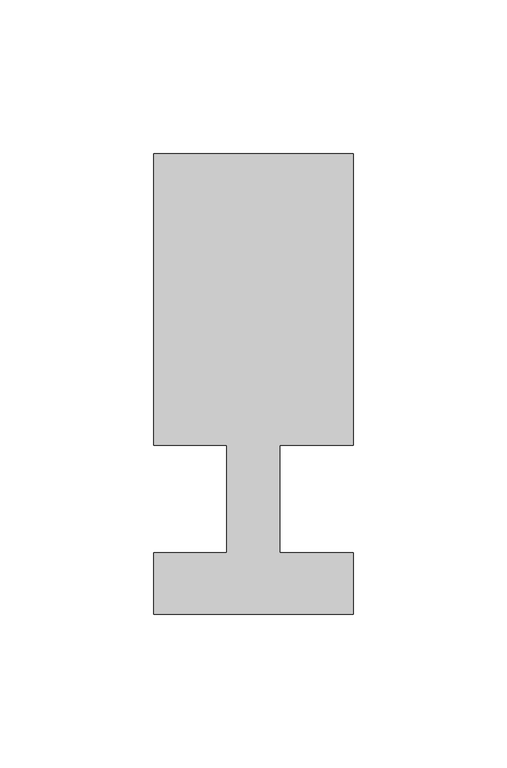
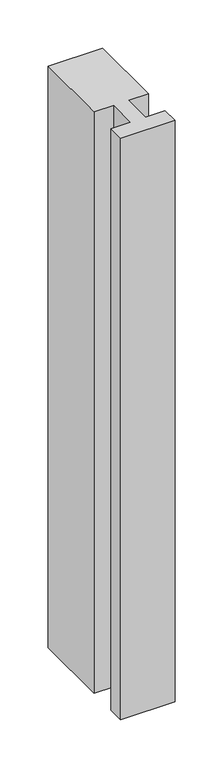
"""IFC4 building model written with IfcOpenShell, lengths in millimetres: member geometry."""

import ifcopenshell
import ifcopenshell.guid

model = None  # the IFC model being written
_history = None  # IfcOwnerHistory: only IFC2X3 demands one
_inside = {}  # id of a spatial element -> (the spatial element, [elements in it])
_under = {}  # id of a project, library or spatial element -> (it, [spatial elements below it])
_declared = {}  # id of a project -> (the project, [libraries it declares])
_typed = {}  # id of a type object -> (the type object, [elements of that type])
_made_of = {}  # id of a material, layer set ... -> (it, [elements and type objects made of it])


def new_model(schema):
    """Start an empty IFC model of exactly this schema.

    Asked for "IFC4X3", IfcOpenShell would pick the latest addendum, in which some entities
    have other attributes; the version numbers below select the first issue.
    IFC2X3 requires an IfcOwnerHistory on every rooted entity: one is made here for all.
    """
    global model, _history
    if schema == "IFC4X3":
        model = ifcopenshell.file(schema_version=(4, 3, 0, 0))
    else:
        model = ifcopenshell.file(schema=schema)
    _inside.clear()
    _under.clear()
    _declared.clear()
    _typed.clear()
    _made_of.clear()
    _history = None
    if model.schema == "IFC2X3":
        org = make("IfcOrganization", Name="unknown")
        user = make(
            "IfcPersonAndOrganization",
            ThePerson=make("IfcPerson", FamilyName="unknown"),
            TheOrganization=org,
        )
        app = make(
            "IfcApplication",
            ApplicationDeveloper=org,
            Version="unknown",
            ApplicationFullName="unknown",
            ApplicationIdentifier="unknown",
        )
        _history = make(
            "IfcOwnerHistory",
            OwningUser=user,
            OwningApplication=app,
            ChangeAction="ADDED",
            CreationDate=0,
        )
    return model


def make(cls, **values):
    """One entity of the class cls with the attributes given. An attribute that is None is left unset."""
    return model.create_entity(
        cls, **{name: value for name, value in values.items() if value is not None}
    )


def rooted(cls, **values):
    """An entity with a GlobalId (a new one), such as an element, a storey or a relation."""
    return make(cls, GlobalId=ifcopenshell.guid.new(), OwnerHistory=_history, **values)


def si_unit(unit_type, name, prefix=None):
    """IfcSIUnit, for example si_unit("LENGTHUNIT", "METRE", prefix="MILLI")."""
    return make("IfcSIUnit", UnitType=unit_type, Prefix=prefix, Name=name)


def assignment(units):
    """IfcUnitAssignment: the units of a project."""
    return None if units is None else make("IfcUnitAssignment", Units=units)


def point(xyz):
    """IfcCartesianPoint."""
    return None if xyz is None else make("IfcCartesianPoint", Coordinates=xyz)


def direction(xyz):
    """IfcDirection."""
    return None if xyz is None else make("IfcDirection", DirectionRatios=xyz)


def frame(location, z_axis=None, x_axis=None):
    """IfcAxis2Placement3D, a coordinate frame: its origin and axes. An axis left out is left unset."""
    return make(
        "IfcAxis2Placement3D",
        Location=point(location),
        Axis=direction(z_axis),
        RefDirection=direction(x_axis),
    )


def origin():
    """The frame at (0, 0, 0) with its axes left unset."""
    return frame((0.0, 0.0, 0.0))


def place(relative_to, where):
    """IfcLocalPlacement: puts the frame where relative to a parent placement (None: the world)."""
    return make(
        "IfcLocalPlacement", PlacementRelTo=relative_to, RelativePlacement=where
    )


def context(
    kind, dimensions, precision=None, world=None, true_north=None, identifier=None
):
    """IfcGeometricRepresentationContext, for example the 3D "Model" context."""
    return make(
        "IfcGeometricRepresentationContext",
        ContextIdentifier=identifier,
        ContextType=kind,
        CoordinateSpaceDimension=dimensions,
        Precision=precision,
        WorldCoordinateSystem=world,
        TrueNorth=true_north,
    )


def project(units=None, contexts=None):
    """IfcProject with its units and contexts."""
    return rooted(
        "IfcProject",
        Name="project",
        RepresentationContexts=contexts,
        UnitsInContext=assignment(units),
    )


def spatial(cls, under=None, at=None, **own):
    """A site, building, storey or space (cls), placed at a placement, below another one or the project."""
    s = rooted(cls, ObjectPlacement=at, **own)
    if under is not None:
        _under.setdefault(under.id(), (under, []))[1].append(s)
    return s


def polyline(points):
    """IfcPolyline through the points."""
    return make("IfcPolyline", Points=[point(p) for p in points])


def outline(outer, holes=None, kind="AREA"):
    """IfcArbitraryClosedProfileDef: a profile drawn as a closed curve; with holes, ...WithVoids."""
    if holes is None:
        return make("IfcArbitraryClosedProfileDef", ProfileType=kind, OuterCurve=outer)
    return make(
        "IfcArbitraryProfileDefWithVoids",
        ProfileType=kind,
        OuterCurve=outer,
        InnerCurves=holes,
    )


def extrude(swept, where, along, depth):
    """IfcExtrudedAreaSolid: the profile swept, set in the frame where, extruded along a direction by depth."""
    return make(
        "IfcExtrudedAreaSolid",
        SweptArea=swept,
        Position=where,
        ExtrudedDirection=direction(along),
        Depth=depth,
    )


def shape(context_of_items, identifier, shape_type, items):
    """IfcShapeRepresentation: the items that make up one representation, for example the "Body"."""
    return make(
        "IfcShapeRepresentation",
        ContextOfItems=context_of_items,
        RepresentationIdentifier=identifier,
        RepresentationType=shape_type,
        Items=items,
    )


def source(mapping_origin, context_of_items, identifier, shape_type, items):
    """IfcRepresentationMap: a shape defined once, which mapped items show again and again."""
    return make(
        "IfcRepresentationMap",
        MappingOrigin=mapping_origin,
        MappedRepresentation=shape(context_of_items, identifier, shape_type, items),
    )


def transform(
    local_origin,
    x_axis=None,
    y_axis=None,
    z_axis=None,
    scale=None,
    scale2=None,
    scale3=None,
    uniform=True,
):
    """IfcCartesianTransformationOperator3D, or its non-uniform kind. x_axis, y_axis, z_axis: its Axis1, 2, 3."""
    if uniform:
        return make(
            "IfcCartesianTransformationOperator3D",
            Axis1=direction(x_axis),
            Axis2=direction(y_axis),
            LocalOrigin=point(local_origin),
            Scale=scale,
            Axis3=direction(z_axis),
        )
    return make(
        "IfcCartesianTransformationOperator3DnonUniform",
        Axis1=direction(x_axis),
        Axis2=direction(y_axis),
        LocalOrigin=point(local_origin),
        Scale=scale,
        Axis3=direction(z_axis),
        Scale2=scale2,
        Scale3=scale3,
    )


def mapped(mapping_source, mapping_target):
    """IfcMappedItem: shows the shape of a source again, moved by a transform."""
    return make(
        "IfcMappedItem", MappingSource=mapping_source, MappingTarget=mapping_target
    )


def made_of(thing, what):
    """Note that an element or type object is made of a material, layer set ...; save() writes the relation."""
    if what is not None:
        _made_of.setdefault(what.id(), (what, []))[1].append(thing)
    return thing


def element(
    cls,
    number,
    at=None,
    inside=None,
    cuts=None,
    type_object=None,
    material=None,
    context=None,
    identifier="Body",
    shape_type=None,
    held_by="IfcProductDefinitionShape",
    body=None,
    shapes=None,
    **own,
):
    """One element of the class cls, such as IfcWall. Its Tag is "e" and its number.

    at: its placement. inside: the storey or other place that contains it. cuts: it is an
    opening in that element (IfcRelVoidsElement). A single representation is given by context,
    identifier, shape_type and body (its items); several are given by shapes. held_by: the class
    of the entity that holds the representations. save() writes the other relations.
    """
    e = rooted(cls, Tag="e%d" % number, ObjectPlacement=at, **own)
    if body is not None:
        shapes = [shape(context, identifier, shape_type, body)]
    if shapes is not None:
        e.Representation = make(held_by, Representations=shapes)
    if inside is not None:
        _inside.setdefault(inside.id(), (inside, []))[1].append(e)
    if cuts is not None:
        rooted(
            "IfcRelVoidsElement", RelatingBuildingElement=cuts, RelatedOpeningElement=e
        )
    if type_object is not None:
        _typed.setdefault(type_object.id(), (type_object, []))[1].append(e)
    return made_of(e, material)


def aggregate(whole, parts):
    """IfcRelAggregates: a whole, such as a stair, and the parts it consists of."""
    return rooted("IfcRelAggregates", RelatingObject=whole, RelatedObjects=parts)


def save(model, path):
    """Write the relations noted so far, then the file.

    IfcRelAggregates (storeys below a building ...), IfcRelContainedInSpatialStructure (elements
    in a storey), IfcRelDefinesByType, IfcRelAssociatesMaterial and IfcRelDeclares: one each for
    every whole, place, type object, material and project.
    """
    for whole, parts in _under.values():
        aggregate(whole, parts)
    for where, things in _inside.values():
        rooted(
            "IfcRelContainedInSpatialStructure",
            RelatedElements=things,
            RelatingStructure=where,
        )
    for kind, things in _typed.values():
        rooted("IfcRelDefinesByType", RelatedObjects=things, RelatingType=kind)
    for what, things in _made_of.values():
        rooted("IfcRelAssociatesMaterial", RelatedObjects=things, RelatingMaterial=what)
    for by, libraries in _declared.values():
        rooted("IfcRelDeclares", RelatingContext=by, RelatedDefinitions=libraries)
    model.write(path)


def member_9a5ba238(model_context):
    return source(origin(), model_context, "Body", "SweptSolid", [
        extrude(outline(polyline([(-65.0, -37.0), (-65.0, -17.0), (-41.1875, -17.0), (-41.1875, 18.0), (-65.0, 18.0), (-65.0, 113.0), (0.0, 113.0), (0.0, 18.0), (-23.8125, 18.0), (-23.8125, -17.0), (0.0, -17.0), (0.0, -37.0), (-65.0, -37.0)])), frame((0.0, 0.0, -735.0), z_axis=(0.0, 0.0, 1.0), x_axis=(1.0, 0.0, 0.0)), (0.0, 0.0, 1.0), 735.0),
    ])


if __name__ == "__main__":
    model = new_model("IFC4")
    model_context = context("Model", 3, world=origin())
    ifc_project = project(units=[si_unit("LENGTHUNIT", "METRE", prefix="MILLI")], contexts=[model_context])
    site = spatial("IfcSite", under=ifc_project)
    building = spatial("IfcBuilding", under=site)
    placement = place(None, origin())
    member_shape = member_9a5ba238(model_context)
    element("IfcMember", 1, at=placement, inside=building, context=model_context, shape_type="MappedRepresentation", body=[
        mapped(member_shape, transform((0.0, 0.0, 0.0), x_axis=(1.0, 0.0, 0.0), y_axis=(0.0, 1.0, 0.0), z_axis=(0.0, 0.0, 1.0))),
    ])
    save(model, "model.ifc")
